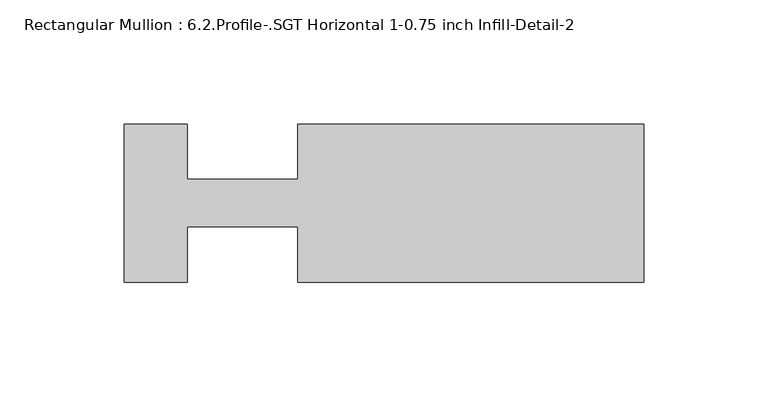
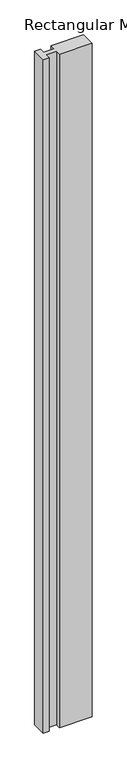
"""IFC4 building model written with IfcOpenShell, lengths in millimetres: member geometry, Rectangular Mullion : 6.2.Profile-.SGT Horizontal 1-0.75 inch Infill-Detail-2."""

from ifc_helpers import new_model, si_unit, frame, origin, place, context, project, spatial, polyline, outline, extrude, source, transform, mapped, element, save


def rectangular_mullion_6_2_profile_sgt_horizontal_1_0_75_inch_0866c646(model_context):
    return source(origin(), model_context, "Body", "SweptSolid", [
        extrude(outline(polyline([(-183.656265, -31.75), (-209.042, -31.75), (-209.042, 31.75), (-183.642, 31.75), (-183.642, 9.5251132), (-139.206265, 9.5251132), (-139.206265, 31.75), (0.0, 31.75), (0.0, -31.75), (-139.206265, -31.75), (-139.206265, -9.5250001), (-183.656265, -9.5250001), (-183.656265, -23.5294964), (-183.656265, -31.75)])), frame((0.0, 0.0, -3048.0), z_axis=(0.0, 0.0, 1.0), x_axis=(1.0, 0.0, 0.0)), (0.0, 0.0, 1.0), 3048.0),
    ])


if __name__ == "__main__":
    model = new_model("IFC4")
    model_context = context("Model", 3, world=origin())
    ifc_project = project(units=[si_unit("LENGTHUNIT", "METRE", prefix="MILLI")], contexts=[model_context])
    site = spatial("IfcSite", under=ifc_project)
    building = spatial("IfcBuilding", under=site)
    placement = place(None, origin())
    rectangular_mullion_6_2_profile_sgt_horizontal_1_0_75_inch_shape = rectangular_mullion_6_2_profile_sgt_horizontal_1_0_75_inch_0866c646(model_context)
    element("IfcMember", 1, ObjectType="Rectangular Mullion : 6.2.Profile-.SGT Horizontal 1-0.75 inch Infill-Detail-2", at=placement, inside=building, context=model_context, shape_type="MappedRepresentation", body=[
        mapped(rectangular_mullion_6_2_profile_sgt_horizontal_1_0_75_inch_shape, transform((0.0, 0.0, 0.0), x_axis=(1.0, 0.0, 0.0), y_axis=(0.0, 1.0, 0.0), z_axis=(0.0, 0.0, 1.0))),
    ])
    save(model, "model.ifc")
